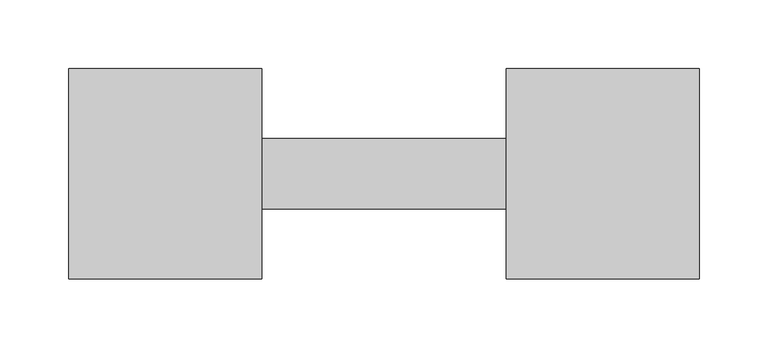
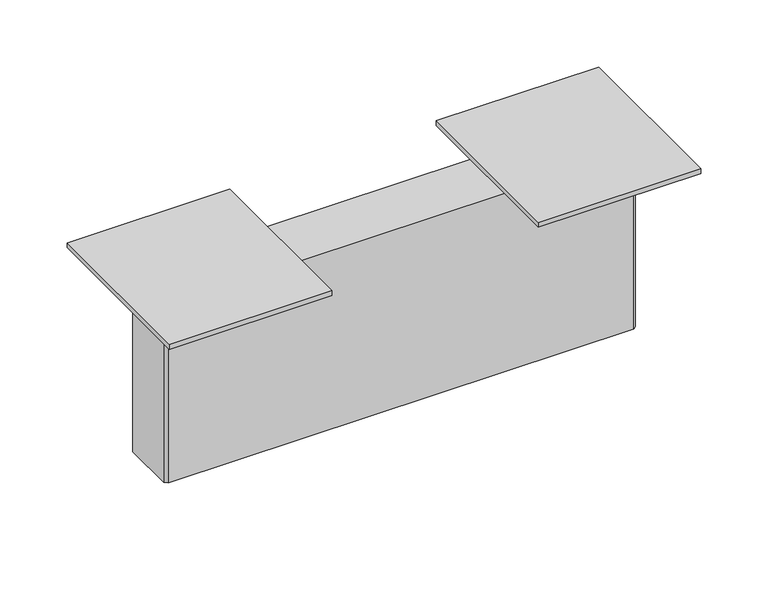
"""IFC4 building model written with IfcOpenShell, lengths in millimetres: furniture geometry."""

from ifc_helpers import new_model, si_unit, frame, origin, place, context, project, spatial, polyline, outline, extrude, source, transform, mapped, element, save


def furniture_b454212b(model_context):
    return source(origin(), model_context, "Body", "SweptSolid", [
        extrude(outline(polyline([(111.4694339, 621.4846273), (111.4694339, 469.0846273), (-28.2305661, 469.0846273), (-28.2305661, 621.4846273), (111.4694339, 621.4846273)])), frame((0.0, 0.0, 702.66814), z_axis=(0.0, 0.0, 1.0), x_axis=(1.0, 0.0, 0.0)), (0.0, 0.0, 1.0), 4.34086),
        extrude(outline(polyline([(428.8398939, 621.4846273), (428.8398939, 469.0846273), (289.1398939, 469.0846273), (289.1398939, 621.4846273), (428.8398939, 621.4846273)])), frame((0.0, 0.0, 702.66814), z_axis=(0.0, 0.0, 1.0), x_axis=(1.0, 0.0, 0.0)), (0.0, 0.0, 1.0), 4.34086),
        extrude(outline(polyline([(400.4426939, 519.8846273), (0.0218539, 519.8846273), (-2.5181461, 522.4246273), (-2.5181461, 568.1446273), (0.0218539, 570.6846273), (400.4426939, 570.6846273), (402.9826939, 568.1446273), (402.9826939, 522.4246273), (400.4426939, 519.8846273)])), frame((0.0, 0.0, 540.23514), z_axis=(0.0, 0.0, 1.0), x_axis=(1.0, 0.0, 0.0)), (0.0, 0.0, 1.0), 162.433),
    ])


if __name__ == "__main__":
    model = new_model("IFC4")
    model_context = context("Model", 3, world=origin())
    ifc_project = project(units=[si_unit("LENGTHUNIT", "METRE", prefix="MILLI")], contexts=[model_context])
    site = spatial("IfcSite", under=ifc_project)
    building = spatial("IfcBuilding", under=site)
    placement = place(None, origin())
    furniture_shape = furniture_b454212b(model_context)
    element("IfcFurniture", 1, at=placement, inside=building, context=model_context, shape_type="MappedRepresentation", body=[
        mapped(furniture_shape, transform((0.0, 0.0, 0.0), x_axis=(1.0, 0.0, 0.0), y_axis=(0.0, 1.0, 0.0), z_axis=(0.0, 0.0, 1.0))),
    ])
    save(model, "model.ifc")
